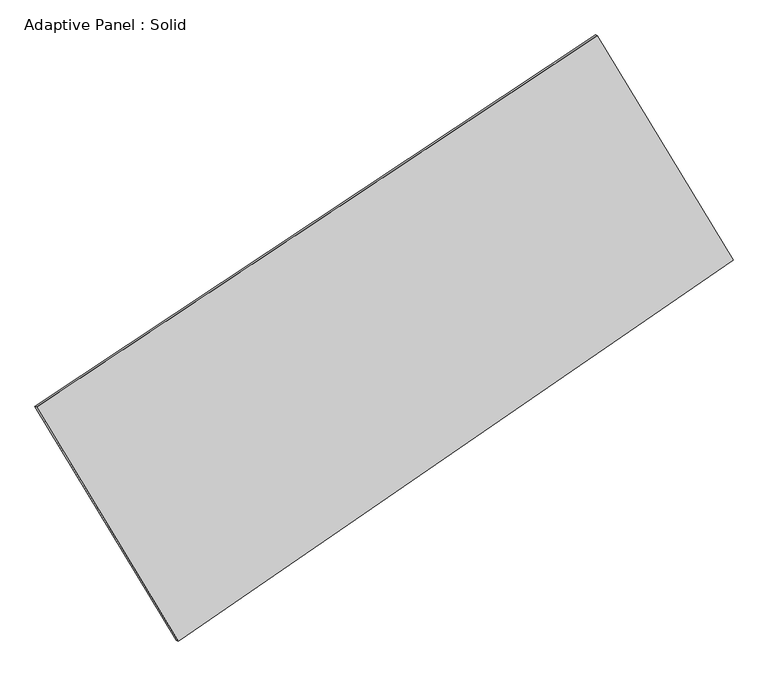
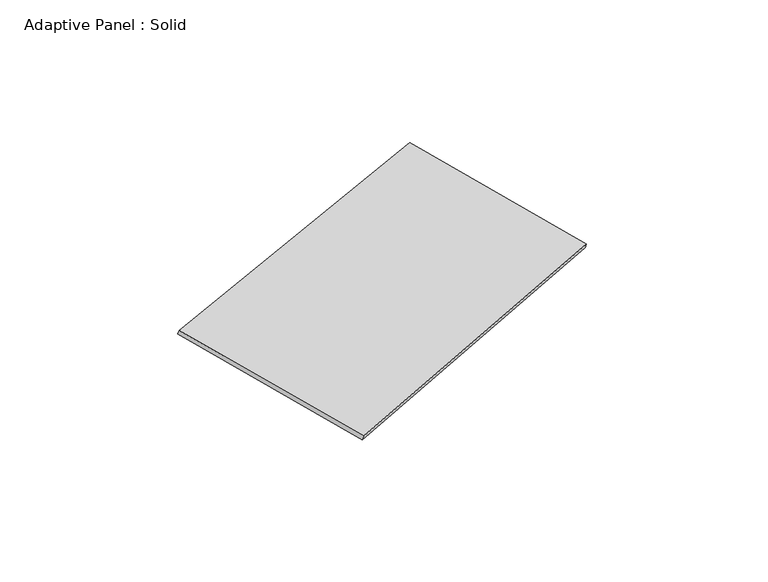
"""IFC4 building model written with IfcOpenShell, lengths in millimetres: plate geometry, Adaptive Panel : Solid."""

from ifc_helpers import new_model, si_unit, frame, origin, place, context, project, spatial, polyline, outline, extrude, source, transform, mapped, element, save


def adaptive_panel_solid_e6a4fae9(model_context):
    return source(origin(), model_context, "Body", "SweptSolid", [
        extrude(outline(polyline([(-1169.7801708, 2941.1905563), (1169.7801709, 2941.1905563), (1220.0507507, -2941.1905564), (-1220.0507507, -2941.1905564), (-1169.7801708, 2941.1905563)])), frame((-650.8226445, -100.0621432, 871.2806301), z_axis=(0.293327116611176, -0.12760186928687098, 0.9474581603506668), x_axis=(0.49889438633272093, -0.824973944146448, -0.2655605067873449)), (0.0, 0.0, 1.0), 50.0),
    ])


if __name__ == "__main__":
    model = new_model("IFC4")
    model_context = context("Model", 3, world=origin())
    ifc_project = project(units=[si_unit("LENGTHUNIT", "METRE", prefix="MILLI")], contexts=[model_context])
    site = spatial("IfcSite", under=ifc_project)
    building = spatial("IfcBuilding", under=site)
    placement = place(None, origin())
    adaptive_panel_solid_shape = adaptive_panel_solid_e6a4fae9(model_context)
    element("IfcPlate", 1, ObjectType="Adaptive Panel : Solid", at=placement, inside=building, context=model_context, shape_type="MappedRepresentation", body=[
        mapped(adaptive_panel_solid_shape, transform((0.0, 0.0, 0.0), x_axis=(1.0, 0.0, 0.0), y_axis=(0.0, 1.0, 0.0), z_axis=(0.0, 0.0, 1.0))),
    ])
    save(model, "model.ifc")
